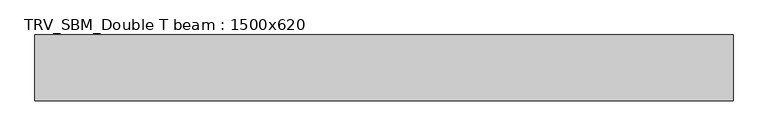
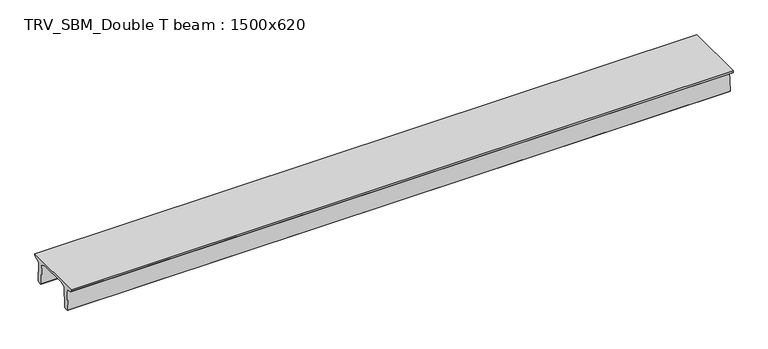
"""IFC4 building model written with IfcOpenShell, lengths in millimetres: beam geometry, TRV_SBM_Double T beam : 1500x620."""

from ifc_helpers import new_model, si_unit, frame, origin, place, context, project, spatial, polyline, outline, extrude, source, transform, mapped, element, save


def trv_sbm_double_t_beam_1500x620_bddb713e(model_context):
    return source(origin(), model_context, "Body", "SweptSolid", [
        extrude(outline(polyline([(-765.0, 215.0), (-765.0, 260.0), (735.0, 260.0), (735.0, 215.0), (728.2094488, 201.315559), (578.0626443, 140.6523122), (594.8277662, -339.4379646), (574.2657308, -360.0), (484.2657308, -360.0), (464.786332, -340.5206011), (447.8600761, 144.18395), (338.3237744, 210.0), (-367.4555014, 210.0), (-476.5389732, 151.9992892), (-507.0080378, -339.3850967), (-527.622941, -360.0), (-615.122941, -360.0), (-637.1143055, -338.0086356), (-606.1572167, 162.687806), (-761.3068466, 204.260024), (-765.0, 215.0)])), frame((-7902.5, 0.0, 0.0), z_axis=(1.0, 0.0, 0.0), x_axis=(0.0, 1.0, 0.0)), (0.0, 0.0, 1.0), 15882.0),
    ])


if __name__ == "__main__":
    model = new_model("IFC4")
    model_context = context("Model", 3, world=origin())
    ifc_project = project(units=[si_unit("LENGTHUNIT", "METRE", prefix="MILLI")], contexts=[model_context])
    site = spatial("IfcSite", under=ifc_project)
    building = spatial("IfcBuilding", under=site)
    placement = place(None, origin())
    trv_sbm_double_t_beam_1500x620_shape = trv_sbm_double_t_beam_1500x620_bddb713e(model_context)
    element("IfcBeam", 1, ObjectType="TRV_SBM_Double T beam : 1500x620", at=placement, inside=building, context=model_context, shape_type="MappedRepresentation", body=[
        mapped(trv_sbm_double_t_beam_1500x620_shape, transform((0.0, 0.0, 0.0), x_axis=(1.0, 0.0, 0.0), y_axis=(0.0, 1.0, 0.0), z_axis=(0.0, 0.0, 1.0))),
    ])
    save(model, "model.ifc")
